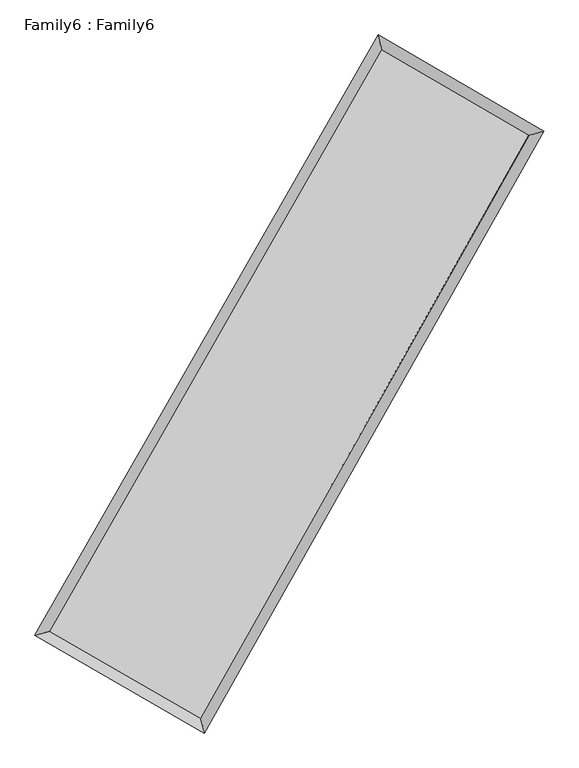
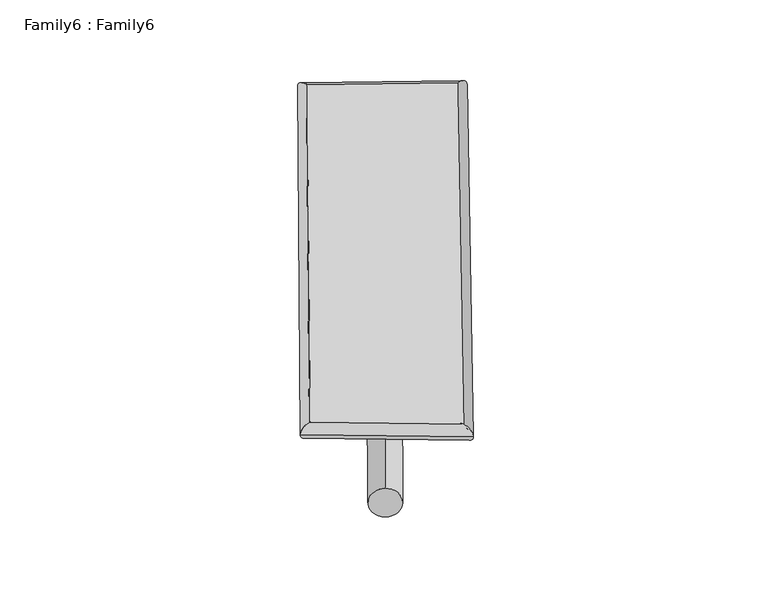
"""IFC4 building model written with IfcOpenShell, lengths in millimetres: plate geometry, Family6 : Family6."""

import ifcopenshell
import ifcopenshell.guid

model = None  # the IFC model being written
_history = None  # IfcOwnerHistory: only IFC2X3 demands one
_inside = {}  # id of a spatial element -> (the spatial element, [elements in it])
_under = {}  # id of a project, library or spatial element -> (it, [spatial elements below it])
_declared = {}  # id of a project -> (the project, [libraries it declares])
_typed = {}  # id of a type object -> (the type object, [elements of that type])
_made_of = {}  # id of a material, layer set ... -> (it, [elements and type objects made of it])


def new_model(schema):
    """Start an empty IFC model of exactly this schema.

    Asked for "IFC4X3", IfcOpenShell would pick the latest addendum, in which some entities
    have other attributes; the version numbers below select the first issue.
    IFC2X3 requires an IfcOwnerHistory on every rooted entity: one is made here for all.
    """
    global model, _history
    if schema == "IFC4X3":
        model = ifcopenshell.file(schema_version=(4, 3, 0, 0))
    else:
        model = ifcopenshell.file(schema=schema)
    _inside.clear()
    _under.clear()
    _declared.clear()
    _typed.clear()
    _made_of.clear()
    _history = None
    if model.schema == "IFC2X3":
        org = make("IfcOrganization", Name="unknown")
        user = make(
            "IfcPersonAndOrganization",
            ThePerson=make("IfcPerson", FamilyName="unknown"),
            TheOrganization=org,
        )
        app = make(
            "IfcApplication",
            ApplicationDeveloper=org,
            Version="unknown",
            ApplicationFullName="unknown",
            ApplicationIdentifier="unknown",
        )
        _history = make(
            "IfcOwnerHistory",
            OwningUser=user,
            OwningApplication=app,
            ChangeAction="ADDED",
            CreationDate=0,
        )
    return model


def make(cls, **values):
    """One entity of the class cls with the attributes given. An attribute that is None is left unset."""
    return model.create_entity(
        cls, **{name: value for name, value in values.items() if value is not None}
    )


def rooted(cls, **values):
    """An entity with a GlobalId (a new one), such as an element, a storey or a relation."""
    return make(cls, GlobalId=ifcopenshell.guid.new(), OwnerHistory=_history, **values)


def si_unit(unit_type, name, prefix=None):
    """IfcSIUnit, for example si_unit("LENGTHUNIT", "METRE", prefix="MILLI")."""
    return make("IfcSIUnit", UnitType=unit_type, Prefix=prefix, Name=name)


def assignment(units):
    """IfcUnitAssignment: the units of a project."""
    return None if units is None else make("IfcUnitAssignment", Units=units)


def point(xyz):
    """IfcCartesianPoint."""
    return None if xyz is None else make("IfcCartesianPoint", Coordinates=xyz)


def direction(xyz):
    """IfcDirection."""
    return None if xyz is None else make("IfcDirection", DirectionRatios=xyz)


def frame(location, z_axis=None, x_axis=None):
    """IfcAxis2Placement3D, a coordinate frame: its origin and axes. An axis left out is left unset."""
    return make(
        "IfcAxis2Placement3D",
        Location=point(location),
        Axis=direction(z_axis),
        RefDirection=direction(x_axis),
    )


def frame_2d(location, x_axis=None):
    """IfcAxis2Placement2D, a coordinate frame in the plane: its origin and x axis."""
    return make(
        "IfcAxis2Placement2D", Location=point(location), RefDirection=direction(x_axis)
    )


def origin():
    """The frame at (0, 0, 0) with its axes left unset."""
    return frame((0.0, 0.0, 0.0))


def origin_2d():
    """The frame at (0, 0) in the plane with its x axis left unset."""
    return frame_2d((0.0, 0.0))


def place(relative_to, where):
    """IfcLocalPlacement: puts the frame where relative to a parent placement (None: the world)."""
    return make(
        "IfcLocalPlacement", PlacementRelTo=relative_to, RelativePlacement=where
    )


def context(
    kind, dimensions, precision=None, world=None, true_north=None, identifier=None
):
    """IfcGeometricRepresentationContext, for example the 3D "Model" context."""
    return make(
        "IfcGeometricRepresentationContext",
        ContextIdentifier=identifier,
        ContextType=kind,
        CoordinateSpaceDimension=dimensions,
        Precision=precision,
        WorldCoordinateSystem=world,
        TrueNorth=true_north,
    )


def project(units=None, contexts=None):
    """IfcProject with its units and contexts."""
    return rooted(
        "IfcProject",
        Name="project",
        RepresentationContexts=contexts,
        UnitsInContext=assignment(units),
    )


def spatial(cls, under=None, at=None, **own):
    """A site, building, storey or space (cls), placed at a placement, below another one or the project."""
    s = rooted(cls, ObjectPlacement=at, **own)
    if under is not None:
        _under.setdefault(under.id(), (under, []))[1].append(s)
    return s


def circle_curve(where, radius):
    """IfcCircle in the frame where."""
    return make("IfcCircle", Position=where, Radius=radius)


def ellipse_curve(where, semi_axis1, semi_axis2):
    """IfcEllipse in the frame where."""
    return make(
        "IfcEllipse", Position=where, SemiAxis1=semi_axis1, SemiAxis2=semi_axis2
    )


def trimmed(basis, trim1, trim2, sense, master):
    """IfcTrimmedCurve: the piece of a basis curve between two trims."""
    return make(
        "IfcTrimmedCurve",
        BasisCurve=basis,
        Trim1=trim1,
        Trim2=trim2,
        SenseAgreement=sense,
        MasterRepresentation=master,
    )


def segment(curve, same_sense, transition):
    """IfcCompositeCurveSegment."""
    return make(
        "IfcCompositeCurveSegment",
        Transition=transition,
        SameSense=same_sense,
        ParentCurve=curve,
    )


def composite_curve(segments, self_intersect=None):
    """IfcCompositeCurve: segments joined end to end."""
    return make("IfcCompositeCurve", Segments=segments, SelfIntersect=self_intersect)


def outline(outer, holes=None, kind="AREA"):
    """IfcArbitraryClosedProfileDef: a profile drawn as a closed curve; with holes, ...WithVoids."""
    if holes is None:
        return make("IfcArbitraryClosedProfileDef", ProfileType=kind, OuterCurve=outer)
    return make(
        "IfcArbitraryProfileDefWithVoids",
        ProfileType=kind,
        OuterCurve=outer,
        InnerCurves=holes,
    )


def extrude(swept, where, along, depth):
    """IfcExtrudedAreaSolid: the profile swept, set in the frame where, extruded along a direction by depth."""
    return make(
        "IfcExtrudedAreaSolid",
        SweptArea=swept,
        Position=where,
        ExtrudedDirection=direction(along),
        Depth=depth,
    )


def shape(context_of_items, identifier, shape_type, items):
    """IfcShapeRepresentation: the items that make up one representation, for example the "Body"."""
    return make(
        "IfcShapeRepresentation",
        ContextOfItems=context_of_items,
        RepresentationIdentifier=identifier,
        RepresentationType=shape_type,
        Items=items,
    )


def source(mapping_origin, context_of_items, identifier, shape_type, items):
    """IfcRepresentationMap: a shape defined once, which mapped items show again and again."""
    return make(
        "IfcRepresentationMap",
        MappingOrigin=mapping_origin,
        MappedRepresentation=shape(context_of_items, identifier, shape_type, items),
    )


def transform(
    local_origin,
    x_axis=None,
    y_axis=None,
    z_axis=None,
    scale=None,
    scale2=None,
    scale3=None,
    uniform=True,
):
    """IfcCartesianTransformationOperator3D, or its non-uniform kind. x_axis, y_axis, z_axis: its Axis1, 2, 3."""
    if uniform:
        return make(
            "IfcCartesianTransformationOperator3D",
            Axis1=direction(x_axis),
            Axis2=direction(y_axis),
            LocalOrigin=point(local_origin),
            Scale=scale,
            Axis3=direction(z_axis),
        )
    return make(
        "IfcCartesianTransformationOperator3DnonUniform",
        Axis1=direction(x_axis),
        Axis2=direction(y_axis),
        LocalOrigin=point(local_origin),
        Scale=scale,
        Axis3=direction(z_axis),
        Scale2=scale2,
        Scale3=scale3,
    )


def mapped(mapping_source, mapping_target):
    """IfcMappedItem: shows the shape of a source again, moved by a transform."""
    return make(
        "IfcMappedItem", MappingSource=mapping_source, MappingTarget=mapping_target
    )


def made_of(thing, what):
    """Note that an element or type object is made of a material, layer set ...; save() writes the relation."""
    if what is not None:
        _made_of.setdefault(what.id(), (what, []))[1].append(thing)
    return thing


def element(
    cls,
    number,
    at=None,
    inside=None,
    cuts=None,
    type_object=None,
    material=None,
    context=None,
    identifier="Body",
    shape_type=None,
    held_by="IfcProductDefinitionShape",
    body=None,
    shapes=None,
    **own,
):
    """One element of the class cls, such as IfcWall. Its Tag is "e" and its number.

    at: its placement. inside: the storey or other place that contains it. cuts: it is an
    opening in that element (IfcRelVoidsElement). A single representation is given by context,
    identifier, shape_type and body (its items); several are given by shapes. held_by: the class
    of the entity that holds the representations. save() writes the other relations.
    """
    e = rooted(cls, Tag="e%d" % number, ObjectPlacement=at, **own)
    if body is not None:
        shapes = [shape(context, identifier, shape_type, body)]
    if shapes is not None:
        e.Representation = make(held_by, Representations=shapes)
    if inside is not None:
        _inside.setdefault(inside.id(), (inside, []))[1].append(e)
    if cuts is not None:
        rooted(
            "IfcRelVoidsElement", RelatingBuildingElement=cuts, RelatedOpeningElement=e
        )
    if type_object is not None:
        _typed.setdefault(type_object.id(), (type_object, []))[1].append(e)
    return made_of(e, material)


def aggregate(whole, parts):
    """IfcRelAggregates: a whole, such as a stair, and the parts it consists of."""
    return rooted("IfcRelAggregates", RelatingObject=whole, RelatedObjects=parts)


def save(model, path):
    """Write the relations noted so far, then the file.

    IfcRelAggregates (storeys below a building ...), IfcRelContainedInSpatialStructure (elements
    in a storey), IfcRelDefinesByType, IfcRelAssociatesMaterial and IfcRelDeclares: one each for
    every whole, place, type object, material and project.
    """
    for whole, parts in _under.values():
        aggregate(whole, parts)
    for where, things in _inside.values():
        rooted(
            "IfcRelContainedInSpatialStructure",
            RelatedElements=things,
            RelatingStructure=where,
        )
    for kind, things in _typed.values():
        rooted("IfcRelDefinesByType", RelatedObjects=things, RelatingType=kind)
    for what, things in _made_of.values():
        rooted("IfcRelAssociatesMaterial", RelatedObjects=things, RelatingMaterial=what)
    for by, libraries in _declared.values():
        rooted("IfcRelDeclares", RelatingContext=by, RelatedDefinitions=libraries)
    model.write(path)


def plane_surface(at):
    """IfcPlane: the flat surface through the origin of the frame at, square to its z axis."""
    return make("IfcPlane", Position=at)


def cylinder_surface(at, radius):
    """IfcCylindricalSurface: all points at the distance radius from the z axis of the frame at."""
    return make("IfcCylindricalSurface", Position=at, Radius=radius)


def spline_surface(u_degree, v_degree, points, u_multiplicities, v_multiplicities, u_knots, v_knots, weights=None):
    """IfcBSplineSurfaceWithKnots; with weights, IfcRationalBSplineSurfaceWithKnots. points: one row for each step in u."""
    own = dict(
        UDegree=u_degree,
        VDegree=v_degree,
        ControlPointsList=[[point(p) for p in row] for row in points],
        SurfaceForm="UNSPECIFIED",
        UClosed=False,
        VClosed=False,
        SelfIntersect=False,
        UMultiplicities=u_multiplicities,
        VMultiplicities=v_multiplicities,
        UKnots=u_knots,
        VKnots=v_knots,
        KnotSpec="UNSPECIFIED",
    )
    if weights is None:
        return make("IfcBSplineSurfaceWithKnots", **own)
    return make("IfcRationalBSplineSurfaceWithKnots", WeightsData=weights, **own)


def advanced_brep(points, edges, surfaces, faces):
    """IfcAdvancedBrep: a solid bounded by faces that lie on surfaces and meet in shared edges.

    An edge is (start, end): straight between two places in points (the first is 0);
    or (start, end, curve); or (start, end, curve, False) where it runs against its curve.
    A face is (place in surfaces, loops), or (place, loops, False) where it looks against
    its surface's normal. A loop lists edges by number (the first is 1), with a minus sign
    where the edge is run from its end to its start. The first loop is the outer one.
    """
    corners = [point(p) for p in points]
    vertices = [make("IfcVertexPoint", VertexGeometry=c) for c in corners]
    made = []
    for start, end, *more in edges:
        made.append(
            make(
                "IfcEdgeCurve",
                EdgeStart=vertices[start],
                EdgeEnd=vertices[end],
                EdgeGeometry=more[0] if more else make("IfcPolyline", Points=[corners[start], corners[end]]),
                SameSense=more[1] if len(more) > 1 else True,
            )
        )
    hull = []
    for where, loops, *sense in faces:
        bounds = []
        for j, loop in enumerate(loops):
            ring = [make("IfcOrientedEdge", EdgeElement=made[abs(k) - 1], Orientation=k > 0) for k in loop]
            bounds.append(
                make(
                    "IfcFaceOuterBound" if j == 0 else "IfcFaceBound",
                    Bound=make("IfcEdgeLoop", EdgeList=ring),
                    Orientation=True,
                )
            )
        hull.append(make("IfcAdvancedFace", Bounds=bounds, FaceSurface=surfaces[where], SameSense=sense[0] if sense else True))
    return make("IfcAdvancedBrep", Outer=make("IfcClosedShell", CfsFaces=hull))


def family6_family6_51852b84(model_context):
    return source(origin(), model_context, "Body", "SolidModel", [
        extrude(outline(composite_curve([segment(trimmed(circle_curve(origin_2d(), 76.2), [point((-75.4341514, -10.7763074))], [point((75.4341514, 10.7763074))], False, "CARTESIAN"), True, "CONTINUOUS"), segment(trimmed(circle_curve(origin_2d(), 76.2), [point((75.4341514, 10.7763074))], [point((-75.4341514, -10.7763074))], False, "CARTESIAN"), True, "CONTINUOUS")], self_intersect=False)), frame((9144.0, 9144.0, 0.0), z_axis=(0.6674388557422608, 0.6911703493642917, 0.27714422599993793), x_axis=(-0.6833229182967382, 0.716380794998285, -0.14095512012003858)), (0.0, 0.0, 1.0), 5573.269925),
        extrude(outline(composite_curve([segment(trimmed(circle_curve(origin_2d(), 76.2), [point((-53.8815367, 53.8815367))], [point((53.8815367, -53.8815367))], False, "CARTESIAN"), True, "CONTINUOUS"), segment(trimmed(circle_curve(origin_2d(), 76.2), [point((53.8815367, -53.8815367))], [point((-53.8815367, 53.8815367))], False, "CARTESIAN"), True, "CONTINUOUS")], self_intersect=False)), frame((9144.0, 9144.0, 0.0), z_axis=(-0.6711006650285384, -0.6878652376923222, 0.27652361955670046), x_axis=(0.6440622915670611, -0.35622098092726473, 0.6769714745309462)), (0.0, 0.0, 1.0), 5585.2066842),
        extrude(outline(composite_curve([segment(trimmed(circle_curve(origin_2d(), 76.2), [point((-53.8815367, -53.8815367))], [point((53.8815367, 53.8815367))], False, "CARTESIAN"), True, "CONTINUOUS"), segment(trimmed(circle_curve(origin_2d(), 76.2), [point((53.8815367, 53.8815367))], [point((-53.8815367, -53.8815367))], False, "CARTESIAN"), True, "CONTINUOUS")], self_intersect=False)), frame((9144.0, 9144.0, 0.0), z_axis=(0.25301593307787945, 0.9294267688256187, 0.26860532198580905), x_axis=(-0.8432346608204132, 0.3479636969941728, -0.4097274366761766)), (0.0, 0.0, 1.0), 5586.5061211),
        extrude(outline(composite_curve([segment(trimmed(circle_curve(origin_2d(), 76.2), [point((-75.4341515, 10.7763074))], [point((75.4341515, -10.7763074))], False, "CARTESIAN"), True, "CONTINUOUS"), segment(trimmed(circle_curve(origin_2d(), 76.2), [point((75.4341515, -10.7763074))], [point((-75.4341515, 10.7763074))], False, "CARTESIAN"), True, "CONTINUOUS")], self_intersect=False)), frame((9144.0, 9144.0, 0.0), z_axis=(-0.24819080349352357, -0.9307374071871457, 0.2685688066842254), x_axis=(0.8867190573597457, -0.10664960544122101, 0.44983905452314393)), (0.0, 0.0, 1.0), 5588.9559813),
        advanced_brep(
        [(5188.1945258, 5245.9384347, 1541.1746165), (5188.1360631, 5245.8598309, 1548.4993606), (5603.333634, 5358.3225184, 1547.7085201), (10613.6043487, 14127.3869458, 1505.1195208), (10501.3457691, 14545.1097206, 1496.0110301), (5603.3920966, 5358.4011223, 1540.3837759), (12657.1647467, 12939.9146091, 1544.1366164), (13070.4690563, 13052.2432332, 1545.0625429), (7699.6790133, 4150.9554741, 1501.8316874), (7814.0660354, 3733.3437281, 1500.2067896)],
        [
            (0, 1, ellipse_curve(frame((5395.7640799, 5302.1304766, 1544.4415683), z_axis=(-0.2614207591795592, 0.9651895017480111, 0.008271177994042476), x_axis=(-0.9650933206442089, -0.26151702392124954, 0.01427335445180067)), 215.1585741, 152.4)),
            (1, 2, ellipse_curve(frame((5395.7640799, 5302.1304766, 1544.4415683), z_axis=(-0.2614207591795592, 0.9651895017480111, 0.008271177994042476), x_axis=(-0.9650933206442089, -0.26151702392124954, 0.01427335445180067)), 215.1585741, 152.4)),
            (2, 3),
            (3, 4, ellipse_curve(frame((10557.4750589, 14336.2483332, 1500.5652754), z_axis=(-0.965650360290496, -0.2596985040173695, -0.00872173617896606), x_axis=(0.25955773232346013, -0.9656172319465027, 0.014599484890805406)), 216.324516, 152.4)),
            (4, 0),
            (2, 5, ellipse_curve(frame((5395.7640799, 5302.1304766, 1544.4415683), z_axis=(-0.2614207591795592, 0.9651895017480111, 0.008271177994042476), x_axis=(-0.9650933206442089, -0.26151702392124954, 0.01427335445180067)), 215.1585741, 152.4)),
            (5, 0, ellipse_curve(frame((5395.7640799, 5302.1304766, 1544.4415683), z_axis=(-0.2614207591795592, 0.9651895017480111, 0.008271177994042476), x_axis=(-0.9650933206442089, -0.26151702392124954, 0.01427335445180067)), 215.1585741, 152.4)),
            (4, 3, ellipse_curve(frame((10557.4750589, 14336.2483332, 1500.5652754), z_axis=(-0.965650360290496, -0.2596985040173695, -0.00872173617896606), x_axis=(0.25955773232346013, -0.9656172319465027, 0.014599484890805406)), 216.324516, 152.4)),
            (3, 6),
            (6, 7, ellipse_curve(frame((12863.8169015, 12996.0789212, 1544.5995797), z_axis=(-0.26224030187412534, 0.9649638173574004, -0.008651893665614696), x_axis=(-0.9648618090851734, -0.2623446498806465, -0.014730038964225164)), 214.1654027, 152.4)),
            (7, 4),
            (7, 6, ellipse_curve(frame((12863.8169015, 12996.0789212, 1544.5995797), z_axis=(-0.26224030187412534, 0.9649638173574004, -0.008651893665614696), x_axis=(-0.9648618090851734, -0.2623446498806465, -0.014730038964225164)), 214.1654027, 152.4)),
            (6, 8),
            (8, 9, ellipse_curve(frame((7756.8725243, 3942.1496011, 1501.0192385), z_axis=(0.9644324510000778, 0.26419780980879864, -0.008340548556076757), x_axis=(-0.2640665113279293, 0.9644004147333548, 0.014167485917766181)), 216.510573, 152.4)),
            (9, 7),
            (9, 8, ellipse_curve(frame((7756.8725243, 3942.1496011, 1501.0192385), z_axis=(0.9644324510000778, 0.26419780980879864, -0.008340548556076757), x_axis=(-0.2640665113279293, 0.9644004147333548, 0.014167485917766181)), 216.510573, 152.4)),
            (8, 5),
            (1, 9),
        ],
        [
            cylinder_surface(frame((5395.7640799, 5302.1304766, 1544.4415683), z_axis=(-0.4960880065196301, -0.8682620038934821, 0.004216916201964923), x_axis=(-0.8680379955219676, 0.49583551251470076, -0.025635578001845204)), 152.4),
            cylinder_surface(frame((10557.4750589, 14336.2483332, 1500.5652754), z_axis=(-0.8645078023233549, 0.5023483040088472, -0.0165057923614121), x_axis=(0.5025618006513984, 0.8644396484523259, -0.013256346014014094)), 152.4),
            cylinder_surface(frame((12863.8169015, 12996.0789212, 1544.5995797), z_axis=(0.49128765094310817, 0.8709872947407984, 0.004192425420748437), x_axis=(0.8709966889419016, -0.49128765094310817, -0.0011008555977388462)), 152.4),
            cylinder_surface(frame((7756.8725243, 3942.1496011, 1501.0192385), z_axis=(0.8664243861594669, -0.4990539922253342, -0.01593411158952191), x_axis=(-0.4989401275107172, -0.8665698245239625, 0.010746552195862378)), 152.4),
        ],
        [
            (0, [[1, 2, 3, 4, 5]]),
            (0, [[6, 7, -5, 8, -3]]),
            (1, [[-4, 9, 10, 11]]),
            (1, [[-8, -11, 12, -9]]),
            (2, [[-10, 13, 14, 15]]),
            (2, [[-12, -15, 16, -13]]),
            (3, [[-14, 17, -6, -2, 18]]),
            (3, [[-16, -18, -1, -7, -17]]),
        ],
    ),
        extrude(outline(composite_curve([segment(trimmed(circle_curve(origin_2d(), 304.8), [point((0.0, -304.8))], [point((0.0, 304.8))], False, "CARTESIAN"), True, "CONTINUOUS"), segment(trimmed(circle_curve(origin_2d(), 304.8), [point((0.0, 304.8))], [point((0.0, -304.8))], False, "CARTESIAN"), True, "CONTINUOUS")], self_intersect=False)), frame((6544.7397324, 4615.8101829, -0.0157234), z_axis=(0.4978306247365476, 0.8672742755699316, 3.0114590873533155e-06), x_axis=(-0.8672742755747885, 0.49783062473654766, 8.02879672493784e-07)), (0.0, 0.0, 1.0), 10442.3478124),
        advanced_brep(
        [(5395.7640799, 5302.1304766, 1544.4415683), (7756.8725243, 3942.1496011, 1501.0192385), (7756.8816146, 3942.1472981, 1653.4192382), (5395.7731702, 5302.1281736, 1696.841568), (12863.8169015, 12996.0789212, 1544.5995797), (12863.8259917, 12996.0766182, 1696.9995794), (10557.4750589, 14336.2483332, 1500.5652754), (10557.4841491, 14336.2460302, 1652.9652751)],
        [
            (0, 1),
            (1, 2),
            (2, 3),
            (3, 0),
            (1, 4),
            (4, 5),
            (5, 2),
            (4, 6),
            (6, 7),
            (7, 5),
            (6, 0),
            (3, 7),
        ],
        [
            plane_surface(frame((6576.3183021, 4622.1400388, 1522.7304034), z_axis=(-0.49911712781662904, -0.8665345304383267, 1.6676559076053005e-05), x_axis=(0.8664243861594669, -0.4990539922253341, -0.015934111589521904))),
            plane_surface(frame((10310.3447129, 8469.1142611, 1522.8094091), z_axis=(0.8709950700296339, -0.49129175085532806, -5.9376592205357326e-05), x_axis=(0.49128765094310833, 0.8709872947407983, 0.00419242542074845))),
            plane_surface(frame((11710.6459802, 13666.1636272, 1522.5824275), z_axis=(0.5024169893556217, 0.8646254498458552, -1.6902235696504044e-05), x_axis=(-0.8645078023233548, 0.5023483040088472, -0.016505792361412093))),
            plane_surface(frame((7976.6195694, 9819.1894049, 1522.5034219), z_axis=(-0.8682695983264647, 0.4960926335948784, 5.9286572586106975e-05), x_axis=(-0.49608800651962986, -0.8682620038934822, 0.004216916201964932))),
            spline_surface(1, 1, [[(7756.8816146, 3942.1472981, 1653.4192382), (5395.7731702, 5302.1281736, 1696.841568)], [(12863.8259917, 12996.0766182, 1696.9995794), (10557.4841491, 14336.2460302, 1652.9652751)]], [2, 2], [2, 2], [0.0, 1.0], [0.0, 1.0]),
            spline_surface(1, 1, [[(10557.4750589, 14336.2483332, 1500.5652754), (5395.7640799, 5302.1304766, 1544.4415683)], [(12863.8169015, 12996.0789212, 1544.5995797), (7756.8725243, 3942.1496011, 1501.0192385)]], [2, 2], [2, 2], [0.0, 1.0], [0.0, 1.0]),
        ],
        [
            (0, [[1, 2, 3, 4]]),
            (1, [[5, 6, 7, -2]]),
            (2, [[8, 9, 10, -6]]),
            (3, [[11, -4, 12, -9]]),
            (4, [[-3, -7, -10, -12]]),
            (5, [[-11, -8, -5, -1]]),
        ],
    ),
    ])


if __name__ == "__main__":
    model = new_model("IFC4")
    model_context = context("Model", 3, world=origin())
    ifc_project = project(units=[si_unit("LENGTHUNIT", "METRE", prefix="MILLI")], contexts=[model_context])
    site = spatial("IfcSite", under=ifc_project)
    building = spatial("IfcBuilding", under=site)
    placement = place(None, origin())
    family6_family6_shape = family6_family6_51852b84(model_context)
    element("IfcPlate", 1, ObjectType="Family6 : Family6", at=placement, inside=building, context=model_context, shape_type="MappedRepresentation", body=[
        mapped(family6_family6_shape, transform((0.0, 0.0, 0.0), x_axis=(1.0, 0.0, 0.0), y_axis=(0.0, 1.0, 0.0), z_axis=(0.0, 0.0, 1.0))),
    ])
    save(model, "model.ifc")
